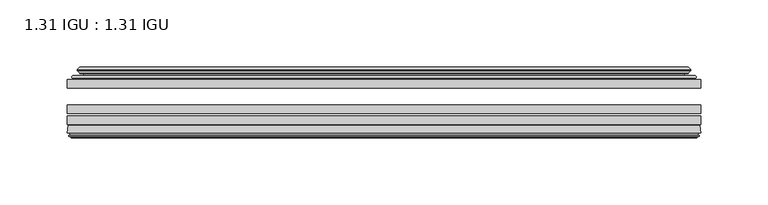
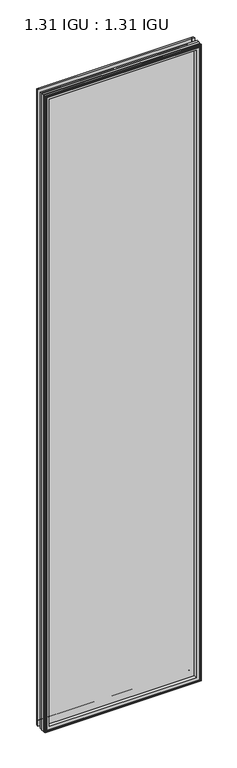
"""IFC4 building model written with IfcOpenShell, lengths in millimetres: plate geometry, 1.31 IGU : 1.31 IGU."""

from ifc_helpers import new_model, si_unit, frame, origin, place, context, project, spatial, polyline, ellipse_curve, outline, extrude, source, transform, mapped, element, save
from ifc_brep_helpers import plane_surface, cylinder_surface, revolved_surface, advanced_brep


def plate_1_31_igu_1_31_igu_9a12aca0(model_context):
    return source(origin(), model_context, "Body", "SolidModel", [
        extrude(outline(polyline([(235.9413865, -51.7723437), (235.9413865, -58.1223438), (-236.0083333, -58.1223438), (-236.0083333, -51.7723437), (235.9413865, -51.7723437)])), frame((0.0, 0.0, -14.2875), z_axis=(0.0, 0.0, 1.0), x_axis=(1.0, 0.0, 0.0)), (0.0, 0.0, 1.0), 2025.65),
        extrude(outline(polyline([(-236.0083333, -85.4273438), (-236.0083333, -79.0773437), (235.9413865, -79.0773437), (235.9413865, -85.4273438), (-236.0083333, -85.4273438)])), frame((0.0, 0.0, -14.2875), z_axis=(0.0, 0.0, 1.0), x_axis=(1.0, 0.0, 0.0)), (0.0, 0.0, 1.0), 2025.65),
        extrude(outline(polyline([(-236.0083333, -77.1723438), (-236.0083333, -70.8223438), (235.9413865, -70.8223438), (235.9413865, -77.1723438), (-236.0083333, -77.1723438)])), frame((0.0, 0.0, -14.2875), z_axis=(0.0, 0.0, 1.0), x_axis=(1.0, 0.0, 0.0)), (0.0, 0.0, 1.0), 2025.65),
        advanced_brep(
        [(-236.0210333, -91.7773437, 2011.3752), (-235.3262495, -86.1187838, 2010.6804162), (-235.3262495, -86.1187838, -13.6054162), (-236.0210333, -91.7773437, -14.3002), (-233.6334333, -93.768408, 2008.9876), (-234.0906333, -91.7773437, 2009.4448), (-234.0906333, -91.7773437, -12.3698), (-233.6334333, -93.768408, -11.9126), (-234.6347952, -93.5000939, 2009.9889619), (-234.6347952, -93.5000939, -12.9139619), (-234.8780333, -94.407871, 2010.2322), (-234.8780333, -94.407871, -13.1572), (-232.8460333, -94.9523437, 2008.2002), (-232.8460333, -94.9523437, -11.1252), (-230.8140333, -94.407871, 2006.1682), (-230.8140333, -94.407871, -9.0932), (-231.0572715, -93.5000939, 2006.4114381), (-231.0572715, -93.5000939, -9.3364381), (-232.0586333, -93.768408, 2007.4128), (-232.0586333, -93.768408, -10.3378), (-231.6014333, -91.7773437, 2006.9556), (-231.6014333, -91.7773437, -9.8806), (-217.5318119, -85.4273437, 1992.8859786), (-221.7208333, -91.7773437, 1997.075), (-221.7208333, -91.7773437, 0.0), (-217.5318119, -85.4273437, 4.1890214), (-234.5447187, -85.4273437, 2009.8988854), (-234.5447187, -85.4273437, -12.8238854), (235.3262495, -86.1187838, -13.6054162), (236.0210333, -91.7773437, -14.3002), (234.0906333, -91.7773437, -12.3698), (233.6334333, -93.768408, -11.9126), (234.6347952, -93.5000939, -12.9139619), (234.8780333, -94.407871, -13.1572), (232.8460333, -94.9523437, -11.1252), (230.8140333, -94.407871, -9.0932), (231.0572715, -93.5000939, -9.3364381), (232.0586333, -93.768408, -10.3378), (231.6014333, -91.7773437, -9.8806), (221.7208333, -91.7773437, 0.0), (217.5318119, -85.4273437, 4.1890214), (234.5447187, -85.4273437, -12.8238854), (235.3262495, -86.1187838, 2010.6804162), (236.0210333, -91.7773437, 2011.3752), (234.0906333, -91.7773437, 2009.4448), (233.6334333, -93.768408, 2008.9876), (234.6347952, -93.5000939, 2009.9889619), (234.8780333, -94.407871, 2010.2322), (232.8460333, -94.9523437, 2008.2002), (230.8140333, -94.407871, 2006.1682), (231.0572715, -93.5000939, 2006.4114381), (232.0586333, -93.768408, 2007.4128), (231.6014333, -91.7773437, 2006.9556), (221.7208333, -91.7773437, 1997.075), (217.5318119, -85.4273437, 1992.8859786), (234.5447187, -85.4273437, 2009.8988854)],
        [
            (0, 1),
            (1, 2),
            (2, 3),
            (3, 0),
            (4, 5),
            (5, 6),
            (6, 7),
            (7, 4),
            (8, 4),
            (7, 9),
            (9, 8),
            (10, 8),
            (9, 11),
            (11, 10),
            (12, 10),
            (11, 13),
            (13, 12),
            (14, 12),
            (13, 15),
            (15, 14),
            (16, 14),
            (15, 17),
            (17, 16),
            (18, 16),
            (17, 19),
            (19, 18),
            (20, 18),
            (19, 21),
            (21, 20),
            (22, 23, ellipse_curve(frame((-214.7369394, -91.8278132, 1990.091106), z_axis=(0.7071067811865475, 0.0, 0.7071067811865475), x_axis=(0.7071067811865474, 0.0, -0.7071067811865476)), 9.8769754, 6.9840763)),
            (23, 24),
            (24, 25, ellipse_curve(frame((-214.7369394, -91.8278132, 6.983894), z_axis=(0.7071067811865475, 0.0, -0.7071067811865475), x_axis=(-0.7071067811865474, 0.0, -0.7071067811865476)), 9.8769754, 6.9840763)),
            (25, 22),
            (1, 26, ellipse_curve(frame((-234.5447187, -86.2147437, 2009.8988854), z_axis=(-0.7071067811865475, 0.0, -0.7071067811865475), x_axis=(-0.7071067811865474, 0.0, 0.7071067811865476)), 1.1135518, 0.7874)),
            (26, 27),
            (27, 2, ellipse_curve(frame((-234.5447187, -86.2147437, -12.8238854), z_axis=(-0.7071067811865475, 0.0, 0.7071067811865475), x_axis=(0.7071067811865474, 0.0, 0.7071067811865476)), 1.1135518, 0.7874)),
            (2, 28),
            (28, 29),
            (29, 3),
            (6, 30),
            (30, 31),
            (31, 7),
            (31, 32),
            (32, 9),
            (32, 33),
            (33, 11),
            (33, 34),
            (34, 13),
            (34, 35),
            (35, 15),
            (35, 36),
            (36, 17),
            (36, 37),
            (37, 19),
            (37, 38),
            (38, 21),
            (24, 39),
            (39, 40, ellipse_curve(frame((214.7369394, -91.8278132, 6.983894), z_axis=(0.7071067811865475, 0.0, 0.7071067811865475), x_axis=(0.7071067811865476, 0.0, -0.7071067811865474)), 9.8769754, 6.9840763)),
            (40, 25),
            (27, 41),
            (41, 28, ellipse_curve(frame((234.5447187, -86.2147437, -12.8238854), z_axis=(-0.7071067811865475, 0.0, -0.7071067811865475), x_axis=(-0.7071067811865476, 0.0, 0.7071067811865474)), 1.1135518, 0.7874)),
            (28, 42),
            (42, 43),
            (43, 29),
            (30, 44),
            (44, 45),
            (45, 31),
            (45, 46),
            (46, 32),
            (46, 47),
            (47, 33),
            (47, 48),
            (48, 34),
            (48, 49),
            (49, 35),
            (49, 50),
            (50, 36),
            (50, 51),
            (51, 37),
            (51, 52),
            (52, 38),
            (39, 53),
            (53, 54, ellipse_curve(frame((214.7369394, -91.8278132, 1990.091106), z_axis=(-0.7071067811865475, 0.0, 0.7071067811865475), x_axis=(0.7071067811865474, 0.0, 0.7071067811865476)), 9.8769754, 6.9840763)),
            (54, 40),
            (41, 55),
            (55, 42, ellipse_curve(frame((234.5447187, -86.2147437, 2009.8988854), z_axis=(0.7071067811865475, 0.0, -0.7071067811865475), x_axis=(-0.7071067811865474, 0.0, -0.7071067811865476)), 1.1135518, 0.7874)),
            (42, 1),
            (0, 43),
            (5, 44),
            (4, 45),
            (8, 46),
            (10, 47),
            (12, 48),
            (14, 49),
            (16, 50),
            (18, 51),
            (20, 52),
            (23, 53),
            (22, 54),
            (26, 55),
        ],
        [
            plane_surface(frame((-235.3262495, -86.1187838, 2010.6804162), z_axis=(-0.9925461516413241, 0.12186934340513102, 0.0), x_axis=(0.0, 0.0, -1.0))),
            plane_surface(frame((-234.0906333, -91.7773437, 2009.4448), z_axis=(-0.9746347637895992, -0.22380142361654515, 0.0), x_axis=(0.0, 0.0, -1.0))),
            plane_surface(frame((-233.6334333, -93.768408, 2008.9876), z_axis=(0.2588190451026678, 0.9659258262890289, 0.0), x_axis=(0.0, 0.0, -1.0))),
            plane_surface(frame((-234.6347952, -93.5000939, 2009.9889619), z_axis=(-0.9659258262890449, 0.2588190451026082, 0.0), x_axis=(0.0, 0.0, -1.0))),
            plane_surface(frame((-234.8780333, -94.407871, 2010.2322), z_axis=(-0.25881904510250453, -0.9659258262890728, 0.0), x_axis=(0.0, 0.0, -1.0))),
            plane_surface(frame((-232.8460333, -94.9523437, 2008.2002), z_axis=(0.25881904510247905, -0.9659258262890795, 0.0), x_axis=(0.0, 0.0, -1.0))),
            plane_surface(frame((-230.8140333, -94.407871, 2006.1682), z_axis=(0.9659258262890272, 0.2588190451026741, 0.0), x_axis=(0.0, 0.0, -1.0))),
            plane_surface(frame((-231.0572715, -93.5000939, 2006.4114381), z_axis=(-0.2588190451023418, 0.9659258262891163, 0.0), x_axis=(0.0, 0.0, -1.0))),
            plane_surface(frame((-232.0586333, -93.768408, 2007.4128), z_axis=(0.9746347637895937, -0.22380142361656946, 0.0), x_axis=(0.0, 0.0, -1.0))),
            revolved_surface(polyline([(-221.7210157, -91.8278132, -0.00018228295266453642), (-221.7210157, -91.8278132, 1997.0751822829527)]), (-214.7369394, -91.8278132, 2028.825), (0.0, 0.0, -1.0)),
            cylinder_surface(frame((-234.5447187, -86.2147437, 2028.825), z_axis=(0.0, 0.0, 1.0), x_axis=(-1.0, 0.0, 0.0)), 0.7874),
            plane_surface(frame((-235.3262495, -86.1187838, -13.6054162), z_axis=(0.0, 0.12186934340512784, -0.9925461516413245), x_axis=(1.0, 0.0, 0.0))),
            plane_surface(frame((-234.0906333, -91.7773437, -12.3698), z_axis=(0.0, -0.22380142361654828, -0.9746347637895986), x_axis=(1.0, 0.0, 0.0))),
            plane_surface(frame((-233.6334333, -93.768408, -11.9126), z_axis=(0.0, 0.9659258262890298, 0.25881904510266474), x_axis=(1.0, 0.0, 0.0))),
            plane_surface(frame((-234.6347952, -93.5000939, -12.9139619), z_axis=(0.0, 0.2588190451026051, -0.9659258262890457), x_axis=(1.0, 0.0, 0.0))),
            plane_surface(frame((-234.8780333, -94.407871, -13.1572), z_axis=(0.0, -0.9659258262890735, -0.2588190451025014), x_axis=(1.0, 0.0, 0.0))),
            plane_surface(frame((-232.8460333, -94.9523437, -11.1252), z_axis=(0.0, -0.9659258262890787, 0.25881904510248216), x_axis=(1.0, 0.0, 0.0))),
            plane_surface(frame((-230.8140333, -94.407871, -9.0932), z_axis=(0.0, 0.2588190451026772, 0.9659258262890265), x_axis=(1.0, 0.0, 0.0))),
            plane_surface(frame((-231.0572715, -93.5000939, -9.3364381), z_axis=(0.0, 0.9659258262891155, -0.25881904510234494), x_axis=(1.0, 0.0, 0.0))),
            plane_surface(frame((-232.0586333, -93.768408, -10.3378), z_axis=(0.0, -0.22380142361656633, 0.9746347637895943), x_axis=(1.0, 0.0, 0.0))),
            revolved_surface(polyline([(221.7210156829527, -91.8278132, -0.00018229999999963553), (-221.72101568295273, -91.8278132, -0.00018229999999963553)]), (-253.4708333, -91.8278132, 6.983894), (1.0, 0.0, 0.0)),
            cylinder_surface(frame((-253.4708333, -86.2147437, -12.8238854), z_axis=(-1.0, 0.0, 0.0), x_axis=(0.0, 0.0, -1.0)), 0.7874),
            plane_surface(frame((235.3262495, -86.1187838, -13.6054162), z_axis=(0.992546151641325, 0.12186934340512466, 0.0), x_axis=(0.0, 0.0, 1.0))),
            plane_surface(frame((234.0906333, -91.7773437, -12.3698), z_axis=(0.9746347637895978, -0.2238014236165514, 0.0), x_axis=(0.0, 0.0, 1.0))),
            plane_surface(frame((233.6334333, -93.768408, -11.9126), z_axis=(-0.2588190451026616, 0.9659258262890306, 0.0), x_axis=(0.0, 0.0, 1.0))),
            plane_surface(frame((234.6347952, -93.5000939, -12.9139619), z_axis=(0.9659258262890466, 0.25881904510260206, 0.0), x_axis=(0.0, 0.0, 1.0))),
            plane_surface(frame((234.8780333, -94.407871, -13.1572), z_axis=(0.2588190451024983, -0.9659258262890743, 0.0), x_axis=(0.0, 0.0, 1.0))),
            plane_surface(frame((232.8460333, -94.9523437, -11.1252), z_axis=(-0.25881904510248527, -0.9659258262890779, 0.0), x_axis=(0.0, 0.0, 1.0))),
            plane_surface(frame((230.8140333, -94.407871, -9.0932), z_axis=(-0.9659258262890257, 0.25881904510268033, 0.0), x_axis=(0.0, 0.0, 1.0))),
            plane_surface(frame((231.0572715, -93.5000939, -9.3364381), z_axis=(0.25881904510234804, 0.9659258262891147, 0.0), x_axis=(0.0, 0.0, 1.0))),
            plane_surface(frame((232.0586333, -93.768408, -10.3378), z_axis=(-0.974634763789595, -0.2238014236165632, 0.0), x_axis=(0.0, 0.0, 1.0))),
            revolved_surface(polyline([(221.7210157, -91.8278132, 1997.0751822829527), (221.7210157, -91.8278132, -0.0001822829527107217)]), (214.7369394, -91.8278132, -31.75), (0.0, 0.0, 1.0)),
            cylinder_surface(frame((234.5447187, -86.2147437, -31.75), z_axis=(0.0, 0.0, -1.0), x_axis=(1.0, 0.0, 0.0)), 0.7874),
            plane_surface(frame((235.3262495, -86.1187838, 2010.6804162), z_axis=(0.0, 0.12186934340512784, 0.9925461516413245), x_axis=(-1.0, 0.0, 0.0))),
            plane_surface(frame((236.0210333, -91.7773437, 2011.3752), z_axis=(0.0, -1.0, 0.0), x_axis=(-1.0, 0.0, 0.0))),
            plane_surface(frame((234.0906333, -91.7773437, 2009.4448), z_axis=(0.0, -0.22380142361654826, 0.9746347637895985), x_axis=(-1.0, 0.0, 0.0))),
            plane_surface(frame((233.6334333, -93.768408, 2008.9876), z_axis=(0.0, 0.9659258262890298, -0.25881904510266474), x_axis=(-1.0, 0.0, 0.0))),
            plane_surface(frame((234.6347952, -93.5000939, 2009.9889619), z_axis=(0.0, 0.25881904510260517, 0.9659258262890458), x_axis=(-1.0, 0.0, 0.0))),
            plane_surface(frame((234.8780333, -94.407871, 2010.2322), z_axis=(0.0, -0.9659258262890735, 0.2588190451025014), x_axis=(-1.0, 0.0, 0.0))),
            plane_surface(frame((232.8460333, -94.9523437, 2008.2002), z_axis=(0.0, -0.9659258262890786, -0.25881904510248216), x_axis=(-1.0, 0.0, 0.0))),
            plane_surface(frame((230.8140333, -94.407871, 2006.1682), z_axis=(0.0, 0.2588190451026772, -0.9659258262890265), x_axis=(-1.0, 0.0, 0.0))),
            plane_surface(frame((231.0572715, -93.5000939, 2006.4114381), z_axis=(0.0, 0.9659258262891155, 0.25881904510234494), x_axis=(-1.0, 0.0, 0.0))),
            plane_surface(frame((232.0586333, -93.768408, 2007.4128), z_axis=(0.0, -0.22380142361656633, -0.9746347637895943), x_axis=(-1.0, 0.0, 0.0))),
            plane_surface(frame((231.6014333, -91.7773437, 2006.9556), z_axis=(0.0, -1.0, 0.0), x_axis=(-1.0, 0.0, 0.0))),
            revolved_surface(polyline([(-221.7210156829527, -91.8278132, 1997.0751823), (221.72101568295273, -91.8278132, 1997.0751823)]), (253.4708333, -91.8278132, 1990.091106), (-1.0, 0.0, 0.0)),
            plane_surface(frame((217.5318119, -85.4273437, 1992.8859786), z_axis=(0.0, 1.0, 0.0), x_axis=(-1.0, 0.0, 0.0))),
            cylinder_surface(frame((253.4708333, -86.2147437, 2009.8988854), z_axis=(1.0, 0.0, 0.0), x_axis=(0.0, 0.0, 1.0)), 0.7874),
        ],
        [
            (0, [[1, 2, 3, 4]]),
            (1, [[5, 6, 7, 8]]),
            (2, [[9, -8, 10, 11]]),
            (3, [[12, -11, 13, 14]]),
            (4, [[15, -14, 16, 17]]),
            (5, [[18, -17, 19, 20]]),
            (6, [[21, -20, 22, 23]]),
            (7, [[24, -23, 25, 26]]),
            (8, [[27, -26, 28, 29]]),
            (9, [[30, 31, 32, 33]]),
            (10, [[34, 35, 36, -2]]),
            (11, [[-3, 37, 38, 39]]),
            (12, [[-7, 40, 41, 42]]),
            (13, [[-10, -42, 43, 44]]),
            (14, [[-13, -44, 45, 46]]),
            (15, [[-16, -46, 47, 48]]),
            (16, [[-19, -48, 49, 50]]),
            (17, [[-22, -50, 51, 52]]),
            (18, [[-25, -52, 53, 54]]),
            (19, [[-28, -54, 55, 56]]),
            (20, [[-32, 57, 58, 59]]),
            (21, [[-36, 60, 61, -37]]),
            (22, [[-38, 62, 63, 64]]),
            (23, [[-41, 65, 66, 67]]),
            (24, [[-43, -67, 68, 69]]),
            (25, [[-45, -69, 70, 71]]),
            (26, [[-47, -71, 72, 73]]),
            (27, [[-49, -73, 74, 75]]),
            (28, [[-51, -75, 76, 77]]),
            (29, [[-53, -77, 78, 79]]),
            (30, [[-55, -79, 80, 81]]),
            (31, [[-58, 82, 83, 84]]),
            (32, [[-61, 85, 86, -62]]),
            (33, [[-63, 87, -1, 88]]),
            (34, [[-39, -64, -88, -4], [89, -65, -40, -6]]),
            (35, [[-66, -89, -5, 90]]),
            (36, [[-68, -90, -9, 91]]),
            (37, [[-70, -91, -12, 92]]),
            (38, [[-72, -92, -15, 93]]),
            (39, [[-74, -93, -18, 94]]),
            (40, [[-76, -94, -21, 95]]),
            (41, [[-78, -95, -24, 96]]),
            (42, [[-80, -96, -27, 97]]),
            (43, [[-56, -81, -97, -29], [98, -82, -57, -31]]),
            (44, [[-83, -98, -30, 99]]),
            (45, [[100, -85, -60, -35], [-59, -84, -99, -33]]),
            (46, [[-86, -100, -34, -87]]),
        ],
    ),
        advanced_brep(
        [(-217.6731235, -50.6812421, 1993.0272902), (-218.1149337, -51.7723437, 1993.4691004), (-218.1149337, -51.7723437, 3.6058996), (-217.6731235, -50.6812421, 4.0477098), (-221.7208333, -42.9585437, 1997.075), (-221.7208333, -42.9585437, 0.0), (-226.9067442, -44.1396428, 2002.2609109), (-226.9067442, -44.1396428, -5.1859109), (-226.5771689, -43.3125262, 2001.9313356), (-226.5771689, -43.3125262, -4.8563356), (-226.5771689, -42.4982749, 2001.9313356), (-226.5771689, -42.4982749, -4.8563356), (-228.3934444, -44.4569108, 2003.7476111), (-228.3934444, -44.4569108, -6.6726111), (-228.3934444, -45.1700367, 2003.7476111), (-228.3934444, -45.1700367, -6.6726111), (-226.5771689, -47.1188911, 2001.9313356), (-226.5771689, -47.1188911, -4.8563356), (-226.5771689, -46.3144213, 2001.9313356), (-226.5771689, -46.3144213, -4.8563356), (-226.8990834, -45.5065305, 2002.2532501), (-226.8990834, -45.5065305, -5.1782501), (-224.3752712, -45.3481387, 1999.7294379), (-224.3752712, -45.3481387, -2.6544379), (-223.349455, -46.0358481, 1998.7036217), (-223.349455, -46.0358481, -1.6286217), (-223.4678622, -47.4303169, 1998.8220288), (-223.4678622, -47.4303169, -1.7470288), (-224.0696081, -48.9275437, 1999.4237748), (-224.0696081, -48.9275437, -2.3487748), (-231.9953887, -50.8359667, 2007.3495553), (-231.5097578, -48.9275437, 2006.8639245), (-231.5097578, -48.9275437, -9.7889245), (-231.9953887, -50.8359667, -10.2745553), (-230.2746488, -51.7723437, 2005.6288155), (-230.2746488, -51.7723437, -8.5538155), (218.1149337, -51.7723437, 3.6058996), (217.6731235, -50.6812421, 4.0477098), (221.7208333, -42.9585437, 0.0), (226.9067442, -44.1396428, -5.1859109), (226.5771689, -43.3125262, -4.8563356), (226.5771689, -42.4982749, -4.8563356), (228.3934444, -44.4569108, -6.6726111), (228.3934444, -45.1700367, -6.6726111), (226.5771689, -47.1188911, -4.8563356), (226.5771689, -46.3144213, -4.8563356), (226.8990834, -45.5065305, -5.1782501), (224.3752712, -45.3481387, -2.6544379), (223.349455, -46.0358481, -1.6286217), (223.4678622, -47.4303169, -1.7470288), (224.0696081, -48.9275437, -2.3487748), (231.5097578, -48.9275437, -9.7889245), (231.9953887, -50.8359667, -10.2745553), (230.2746488, -51.7723437, -8.5538155), (218.1149337, -51.7723437, 1993.4691004), (217.6731235, -50.6812421, 1993.0272902), (221.7208333, -42.9585437, 1997.075), (226.9067442, -44.1396428, 2002.2609109), (226.5771689, -43.3125262, 2001.9313356), (226.5771689, -42.4982749, 2001.9313356), (228.3934444, -44.4569108, 2003.7476111), (228.3934444, -45.1700367, 2003.7476111), (226.5771689, -47.1188911, 2001.9313356), (226.5771689, -46.3144213, 2001.9313356), (226.8990834, -45.5065305, 2002.2532501), (224.3752712, -45.3481387, 1999.7294379), (223.349455, -46.0358481, 1998.7036217), (223.4678622, -47.4303169, 1998.8220288), (224.0696081, -48.9275437, 1999.4237748), (231.5097578, -48.9275437, 2006.8639245), (231.9953887, -50.8359667, 2007.3495553), (230.2746488, -51.7723437, 2005.6288155)],
        [
            (0, 1, ellipse_curve(frame((-218.1149337, -51.1373437, 1993.4691004), z_axis=(-0.7071067811865475, 0.0, -0.7071067811865475), x_axis=(-0.7071067811865474, 0.0, 0.7071067811865476)), 0.8980256, 0.635)),
            (1, 2),
            (2, 3, ellipse_curve(frame((-218.1149337, -51.1373437, 3.6058996), z_axis=(-0.7071067811865475, 0.0, 0.7071067811865475), x_axis=(0.7071067811865474, 0.0, 0.7071067811865476)), 0.8980256, 0.635)),
            (3, 0),
            (4, 0, ellipse_curve(frame((-207.9880387, -40.6828682, 1983.3422054), z_axis=(0.7071067811865475, 0.0, 0.7071067811865475), x_axis=(0.7071067811865474, 0.0, -0.7071067811865476)), 19.6859517, 13.9200699)),
            (3, 5, ellipse_curve(frame((-207.9880387, -40.6828682, 13.7327946), z_axis=(0.7071067811865475, 0.0, -0.7071067811865475), x_axis=(-0.7071067811865474, 0.0, -0.7071067811865476)), 19.6859517, 13.9200699)),
            (5, 4),
            (6, 4),
            (5, 7),
            (7, 6),
            (8, 6),
            (7, 9),
            (9, 8),
            (10, 8),
            (9, 11),
            (11, 10),
            (12, 10),
            (11, 13),
            (13, 12),
            (14, 12, ellipse_curve(frame((-228.0316062, -44.8134737, 2003.3857729), z_axis=(-0.7071067811865475, 0.0, -0.7071067811865475), x_axis=(-0.7071067811865474, 0.0, 0.7071067811865476)), 0.7184205, 0.508)),
            (13, 15, ellipse_curve(frame((-228.0316062, -44.8134737, -6.3107729), z_axis=(-0.7071067811865475, 0.0, 0.7071067811865475), x_axis=(0.7071067811865474, 0.0, 0.7071067811865476)), 0.7184205, 0.508)),
            (15, 14),
            (16, 14),
            (15, 17),
            (17, 16),
            (18, 16),
            (17, 19),
            (19, 18),
            (20, 18),
            (19, 21),
            (21, 20),
            (22, 20),
            (21, 23),
            (23, 22),
            (24, 22, ellipse_curve(frame((-224.3116333, -46.3621437, 1999.6658), z_axis=(0.7071067811865475, 0.0, 0.7071067811865475), x_axis=(0.7071067811865474, 0.0, -0.7071067811865476)), 1.436841, 1.016)),
            (23, 25, ellipse_curve(frame((-224.3116333, -46.3621437, -2.5908), z_axis=(0.7071067811865475, 0.0, -0.7071067811865475), x_axis=(-0.7071067811865474, 0.0, -0.7071067811865476)), 1.436841, 1.016)),
            (25, 24),
            (26, 24, ellipse_curve(frame((-225.6832333, -46.5399437, 2001.0374), z_axis=(0.7071067811865475, 0.0, 0.7071067811865475), x_axis=(0.7071067811865474, 0.0, -0.7071067811865476)), 3.3765763, 2.3876)),
            (25, 27, ellipse_curve(frame((-225.6832333, -46.5399437, -3.9624), z_axis=(0.7071067811865475, 0.0, -0.7071067811865475), x_axis=(-0.7071067811865474, 0.0, -0.7071067811865476)), 3.3765763, 2.3876)),
            (27, 26),
            (28, 26),
            (27, 29),
            (29, 28),
            (30, 31, ellipse_curve(frame((-231.5097578, -49.9435437, 2006.8639245), z_axis=(-0.7071067811865475, 0.0, -0.7071067811865475), x_axis=(-0.7071067811865474, 0.0, 0.7071067811865476)), 1.436841, 1.016)),
            (31, 32),
            (32, 33, ellipse_curve(frame((-231.5097578, -49.9435437, -9.7889245), z_axis=(-0.7071067811865475, 0.0, 0.7071067811865475), x_axis=(0.7071067811865474, 0.0, 0.7071067811865476)), 1.436841, 1.016)),
            (33, 30),
            (34, 30),
            (33, 35),
            (35, 34),
            (2, 36),
            (36, 37, ellipse_curve(frame((218.1149337, -51.1373437, 3.6058996), z_axis=(-0.7071067811865475, 0.0, -0.7071067811865475), x_axis=(-0.7071067811865476, 0.0, 0.7071067811865474)), 0.8980256, 0.635)),
            (37, 3),
            (37, 38, ellipse_curve(frame((207.9880387, -40.6828682, 13.7327946), z_axis=(0.7071067811865475, 0.0, 0.7071067811865475), x_axis=(0.7071067811865476, 0.0, -0.7071067811865474)), 19.6859517, 13.9200699)),
            (38, 5),
            (38, 39),
            (39, 7),
            (39, 40),
            (40, 9),
            (40, 41),
            (41, 11),
            (41, 42),
            (42, 13),
            (42, 43, ellipse_curve(frame((228.0316062, -44.8134737, -6.3107729), z_axis=(-0.7071067811865475, 0.0, -0.7071067811865475), x_axis=(-0.7071067811865476, 0.0, 0.7071067811865474)), 0.7184205, 0.508)),
            (43, 15),
            (43, 44),
            (44, 17),
            (44, 45),
            (45, 19),
            (45, 46),
            (46, 21),
            (46, 47),
            (47, 23),
            (47, 48, ellipse_curve(frame((224.3116333, -46.3621437, -2.5908), z_axis=(0.7071067811865475, 0.0, 0.7071067811865475), x_axis=(0.7071067811865476, 0.0, -0.7071067811865474)), 1.436841, 1.016)),
            (48, 25),
            (48, 49, ellipse_curve(frame((225.6832333, -46.5399437, -3.9624), z_axis=(0.7071067811865475, 0.0, 0.7071067811865475), x_axis=(0.7071067811865476, 0.0, -0.7071067811865474)), 3.3765763, 2.3876)),
            (49, 27),
            (49, 50),
            (50, 29),
            (32, 51),
            (51, 52, ellipse_curve(frame((231.5097578, -49.9435437, -9.7889245), z_axis=(-0.7071067811865475, 0.0, -0.7071067811865475), x_axis=(-0.7071067811865476, 0.0, 0.7071067811865474)), 1.436841, 1.016)),
            (52, 33),
            (52, 53),
            (53, 35),
            (36, 54),
            (54, 55, ellipse_curve(frame((218.1149337, -51.1373437, 1993.4691004), z_axis=(0.7071067811865475, 0.0, -0.7071067811865475), x_axis=(-0.7071067811865474, 0.0, -0.7071067811865476)), 0.8980256, 0.635)),
            (55, 37),
            (55, 56, ellipse_curve(frame((207.9880387, -40.6828682, 1983.3422054), z_axis=(-0.7071067811865475, 0.0, 0.7071067811865475), x_axis=(0.7071067811865474, 0.0, 0.7071067811865476)), 19.6859517, 13.9200699)),
            (56, 38),
            (56, 57),
            (57, 39),
            (57, 58),
            (58, 40),
            (58, 59),
            (59, 41),
            (59, 60),
            (60, 42),
            (60, 61, ellipse_curve(frame((228.0316062, -44.8134737, 2003.3857729), z_axis=(0.7071067811865475, 0.0, -0.7071067811865475), x_axis=(-0.7071067811865474, 0.0, -0.7071067811865476)), 0.7184205, 0.508)),
            (61, 43),
            (61, 62),
            (62, 44),
            (62, 63),
            (63, 45),
            (63, 64),
            (64, 46),
            (64, 65),
            (65, 47),
            (65, 66, ellipse_curve(frame((224.3116333, -46.3621437, 1999.6658), z_axis=(-0.7071067811865475, 0.0, 0.7071067811865475), x_axis=(0.7071067811865474, 0.0, 0.7071067811865476)), 1.436841, 1.016)),
            (66, 48),
            (66, 67, ellipse_curve(frame((225.6832333, -46.5399437, 2001.0374), z_axis=(-0.7071067811865475, 0.0, 0.7071067811865475), x_axis=(0.7071067811865474, 0.0, 0.7071067811865476)), 3.3765763, 2.3876)),
            (67, 49),
            (67, 68),
            (68, 50),
            (51, 69),
            (69, 70, ellipse_curve(frame((231.5097578, -49.9435437, 2006.8639245), z_axis=(0.7071067811865475, 0.0, -0.7071067811865475), x_axis=(-0.7071067811865474, 0.0, -0.7071067811865476)), 1.436841, 1.016)),
            (70, 52),
            (70, 71),
            (71, 53),
            (54, 1),
            (0, 55),
            (4, 56),
            (6, 57),
            (8, 58),
            (10, 59),
            (12, 60),
            (14, 61),
            (16, 62),
            (18, 63),
            (20, 64),
            (22, 65),
            (24, 66),
            (26, 67),
            (28, 68),
            (31, 69),
            (30, 70),
            (34, 71),
        ],
        [
            cylinder_surface(frame((-218.1149337, -51.1373437, 2028.825), z_axis=(0.0, 0.0, 1.0), x_axis=(-1.0, 0.0, 0.0)), 0.635),
            revolved_surface(polyline([(-221.9081086, -40.6828682, -0.18727534118079348), (-221.9081086, -40.6828682, 1997.2622753411808)]), (-207.9880387, -40.6828682, 2028.825), (0.0, 0.0, -1.0)),
            plane_surface(frame((-221.7208333, -42.9585437, 1997.075), z_axis=(-0.22206498442778808, 0.9750318675259215, 0.0), x_axis=(0.0, 0.0, -1.0))),
            plane_surface(frame((-226.9067442, -44.1396428, 2002.2609109), z_axis=(0.9289682685629942, -0.3701593656833133, 0.0), x_axis=(0.0, 0.0, -1.0))),
            plane_surface(frame((-226.5771689, -43.3125262, 2001.9313356), z_axis=(1.0, 0.0, 0.0), x_axis=(0.0, 0.0, -1.0))),
            plane_surface(frame((-226.5771689, -42.4982749, 2001.9313356), z_axis=(-0.7332521292723948, 0.6799568478348454, 0.0), x_axis=(0.0, 0.0, -1.0))),
            cylinder_surface(frame((-228.0316062, -44.8134737, 2028.825), z_axis=(0.0, 0.0, 1.0), x_axis=(-1.0, 0.0, 0.0)), 0.508),
            plane_surface(frame((-228.3934444, -45.1700367, 2003.7476111), z_axis=(-0.7315522693036389, -0.6817853601220082, 0.0), x_axis=(0.0, 0.0, -1.0))),
            plane_surface(frame((-226.5771689, -47.1188911, 2001.9313356), z_axis=(1.0, 0.0, 0.0), x_axis=(0.0, 0.0, -1.0))),
            plane_surface(frame((-226.5771689, -46.3144213, 2001.9313356), z_axis=(0.9289682685631103, 0.37015936568302166, 0.0), x_axis=(0.0, 0.0, -1.0))),
            plane_surface(frame((-226.8990834, -45.5065305, 2002.2532501), z_axis=(0.06263570119321649, -0.9980364567169048, 0.0), x_axis=(0.0, 0.0, -1.0))),
            revolved_surface(polyline([(-225.3276333, -46.3621437, -3.6068000145867245), (-225.3276333, -46.3621437, 2000.6818000145868)]), (-224.3116333, -46.3621437, 2028.825), (0.0, 0.0, -1.0)),
            revolved_surface(polyline([(-228.0708333, -46.5399437, -6.3499999989237494), (-228.0708333, -46.5399437, 2003.4249999989238)]), (-225.6832333, -46.5399437, 2028.825), (0.0, 0.0, -1.0)),
            plane_surface(frame((-223.4678622, -47.4303169, 1998.8220288), z_axis=(-0.927865292542892, 0.3729155385530262, 0.0), x_axis=(0.0, 0.0, -1.0))),
            cylinder_surface(frame((-231.5097578, -49.9435437, 2028.825), z_axis=(0.0, 0.0, 1.0), x_axis=(-1.0, 0.0, 0.0)), 1.016),
            plane_surface(frame((-231.9953887, -50.8359667, 2007.3495553), z_axis=(-0.477983117370979, -0.8783690223979447, 0.0), x_axis=(0.0, 0.0, -1.0))),
            cylinder_surface(frame((-253.4708333, -51.1373437, 3.6058996), z_axis=(-1.0, 0.0, 0.0), x_axis=(0.0, 0.0, -1.0)), 0.635),
            revolved_surface(polyline([(221.90810864118086, -40.6828682, -0.1872752999999996), (-221.90810864118083, -40.6828682, -0.1872752999999996)]), (-253.4708333, -40.6828682, 13.7327946), (1.0, 0.0, 0.0)),
            plane_surface(frame((-221.7208333, -42.9585437, 0.0), z_axis=(0.0, 0.9750318675259209, -0.2220649844277912), x_axis=(1.0, 0.0, 0.0))),
            plane_surface(frame((-226.9067442, -44.1396428, -5.1859109), z_axis=(0.0, -0.3701593656833103, 0.9289682685629954), x_axis=(1.0, 0.0, 0.0))),
            plane_surface(frame((-226.5771689, -43.3125262, -4.8563356), z_axis=(0.0, 0.0, 1.0), x_axis=(1.0, 0.0, 0.0))),
            plane_surface(frame((-226.5771689, -42.4982749, -4.8563356), z_axis=(0.0, 0.6799568478348431, -0.733252129272397), x_axis=(1.0, 0.0, 0.0))),
            cylinder_surface(frame((-253.4708333, -44.8134737, -6.3107729), z_axis=(-1.0, 0.0, 0.0), x_axis=(0.0, 0.0, -1.0)), 0.508),
            plane_surface(frame((-228.3934444, -45.1700367, -6.6726111), z_axis=(0.0, -0.6817853601220105, -0.7315522693036367), x_axis=(1.0, 0.0, 0.0))),
            plane_surface(frame((-226.5771689, -47.1188911, -4.8563356), z_axis=(0.0, 0.0, 1.0), x_axis=(1.0, 0.0, 0.0))),
            plane_surface(frame((-226.5771689, -46.3144213, -4.8563356), z_axis=(0.0, 0.37015936568302465, 0.9289682685631091), x_axis=(1.0, 0.0, 0.0))),
            plane_surface(frame((-226.8990834, -45.5065305, -5.1782501), z_axis=(0.0, -0.9980364567169046, 0.06263570119321968), x_axis=(1.0, 0.0, 0.0))),
            revolved_surface(polyline([(225.32763331458685, -46.3621437, -3.6068000000000002), (-225.32763331458688, -46.3621437, -3.6068000000000002)]), (-253.4708333, -46.3621437, -2.5908), (1.0, 0.0, 0.0)),
            revolved_surface(polyline([(228.07083329892382, -46.5399437, -6.35), (-228.0708332989238, -46.5399437, -6.35)]), (-253.4708333, -46.5399437, -3.9624), (1.0, 0.0, 0.0)),
            plane_surface(frame((-223.4678622, -47.4303169, -1.7470288), z_axis=(0.0, 0.37291553855302323, -0.9278652925428932), x_axis=(1.0, 0.0, 0.0))),
            cylinder_surface(frame((-253.4708333, -49.9435437, -9.7889245), z_axis=(-1.0, 0.0, 0.0), x_axis=(0.0, 0.0, -1.0)), 1.016),
            plane_surface(frame((-231.9953887, -50.8359667, -10.2745553), z_axis=(0.0, -0.8783690223979462, -0.47798311737097615), x_axis=(1.0, 0.0, 0.0))),
            cylinder_surface(frame((218.1149337, -51.1373437, -31.75), z_axis=(0.0, 0.0, -1.0), x_axis=(1.0, 0.0, 0.0)), 0.635),
            revolved_surface(polyline([(221.9081086, -40.6828682, 1997.2622753411808), (221.9081086, -40.6828682, -0.1872753411808432)]), (207.9880387, -40.6828682, -31.75), (0.0, 0.0, 1.0)),
            plane_surface(frame((221.7208333, -42.9585437, 0.0), z_axis=(0.22206498442779435, 0.9750318675259202, 0.0), x_axis=(0.0, 0.0, 1.0))),
            plane_surface(frame((226.9067442, -44.1396428, -5.1859109), z_axis=(-0.9289682685629966, -0.3701593656833073, 0.0), x_axis=(0.0, 0.0, 1.0))),
            plane_surface(frame((226.5771689, -43.3125262, -4.8563356), z_axis=(-1.0, 0.0, 0.0), x_axis=(0.0, 0.0, 1.0))),
            plane_surface(frame((226.5771689, -42.4982749, -4.8563356), z_axis=(0.7332521292723992, 0.6799568478348408, 0.0), x_axis=(0.0, 0.0, 1.0))),
            cylinder_surface(frame((228.0316062, -44.8134737, -31.75), z_axis=(0.0, 0.0, -1.0), x_axis=(1.0, 0.0, 0.0)), 0.508),
            plane_surface(frame((228.3934444, -45.1700367, -6.6726111), z_axis=(0.7315522693036345, -0.6817853601220129, 0.0), x_axis=(0.0, 0.0, 1.0))),
            plane_surface(frame((226.5771689, -47.1188911, -4.8563356), z_axis=(-1.0, 0.0, 0.0), x_axis=(0.0, 0.0, 1.0))),
            plane_surface(frame((226.5771689, -46.3144213, -4.8563356), z_axis=(-0.928968268563108, 0.3701593656830277, 0.0), x_axis=(0.0, 0.0, 1.0))),
            plane_surface(frame((226.8990834, -45.5065305, -5.1782501), z_axis=(-0.06263570119322287, -0.9980364567169043, 0.0), x_axis=(0.0, 0.0, 1.0))),
            revolved_surface(polyline([(225.3276333, -46.3621437, 2000.6818000145868), (225.3276333, -46.3621437, -3.606800014586863)]), (224.3116333, -46.3621437, -31.75), (0.0, 0.0, 1.0)),
            revolved_surface(polyline([(228.0708333, -46.5399437, 2003.4249999989238), (228.0708333, -46.5399437, -6.349999998923781)]), (225.6832333, -46.5399437, -31.75), (0.0, 0.0, 1.0)),
            plane_surface(frame((223.4678622, -47.4303169, -1.7470288), z_axis=(0.9278652925428944, 0.37291553855302023, 0.0), x_axis=(0.0, 0.0, 1.0))),
            cylinder_surface(frame((231.5097578, -49.9435437, -31.75), z_axis=(0.0, 0.0, -1.0), x_axis=(1.0, 0.0, 0.0)), 1.016),
            plane_surface(frame((231.9953887, -50.8359667, -10.2745553), z_axis=(0.4779831173709733, -0.8783690223979478, 0.0), x_axis=(0.0, 0.0, 1.0))),
            cylinder_surface(frame((253.4708333, -51.1373437, 1993.4691004), z_axis=(1.0, 0.0, 0.0), x_axis=(0.0, 0.0, 1.0)), 0.635),
            revolved_surface(polyline([(-221.90810864118086, -40.6828682, 1997.2622753), (221.90810864118083, -40.6828682, 1997.2622753)]), (253.4708333, -40.6828682, 1983.3422054), (-1.0, 0.0, 0.0)),
            plane_surface(frame((221.7208333, -42.9585437, 1997.075), z_axis=(0.0, 0.9750318675259209, 0.2220649844277912), x_axis=(-1.0, 0.0, 0.0))),
            plane_surface(frame((226.9067442, -44.1396428, 2002.2609109), z_axis=(0.0, -0.3701593656833103, -0.9289682685629954), x_axis=(-1.0, 0.0, 0.0))),
            plane_surface(frame((226.5771689, -43.3125262, 2001.9313356), z_axis=(0.0, 0.0, -1.0), x_axis=(-1.0, 0.0, 0.0))),
            plane_surface(frame((226.5771689, -42.4982749, 2001.9313356), z_axis=(0.0, 0.6799568478348431, 0.733252129272397), x_axis=(-1.0, 0.0, 0.0))),
            cylinder_surface(frame((253.4708333, -44.8134737, 2003.3857729), z_axis=(1.0, 0.0, 0.0), x_axis=(0.0, 0.0, 1.0)), 0.508),
            plane_surface(frame((228.3934444, -45.1700367, 2003.7476111), z_axis=(0.0, -0.6817853601220105, 0.7315522693036367), x_axis=(-1.0, 0.0, 0.0))),
            plane_surface(frame((226.5771689, -47.1188911, 2001.9313356), z_axis=(0.0, 0.0, -1.0), x_axis=(-1.0, 0.0, 0.0))),
            plane_surface(frame((226.5771689, -46.3144213, 2001.9313356), z_axis=(0.0, 0.3701593656830247, -0.9289682685631092), x_axis=(-1.0, 0.0, 0.0))),
            plane_surface(frame((226.8990834, -45.5065305, 2002.2532501), z_axis=(0.0, -0.9980364567169046, -0.06263570119321968), x_axis=(-1.0, 0.0, 0.0))),
            revolved_surface(polyline([(-225.32763331458685, -46.3621437, 2000.6818), (225.32763331458688, -46.3621437, 2000.6818)]), (253.4708333, -46.3621437, 1999.6658), (-1.0, 0.0, 0.0)),
            revolved_surface(polyline([(-228.07083329892382, -46.5399437, 2003.425), (228.0708332989238, -46.5399437, 2003.425)]), (253.4708333, -46.5399437, 2001.0374), (-1.0, 0.0, 0.0)),
            plane_surface(frame((223.4678622, -47.4303169, 1998.8220288), z_axis=(0.0, 0.37291553855302323, 0.9278652925428932), x_axis=(-1.0, 0.0, 0.0))),
            plane_surface(frame((224.0696081, -48.9275437, 1999.4237748), z_axis=(0.0, 1.0, 0.0), x_axis=(-1.0, 0.0, 0.0))),
            cylinder_surface(frame((253.4708333, -49.9435437, 2006.8639245), z_axis=(1.0, 0.0, 0.0), x_axis=(0.0, 0.0, 1.0)), 1.016),
            plane_surface(frame((231.9953887, -50.8359667, 2007.3495553), z_axis=(0.0, -0.8783690223979462, 0.47798311737097615), x_axis=(-1.0, 0.0, 0.0))),
            plane_surface(frame((230.2746488, -51.7723437, 2005.6288155), z_axis=(0.0, -1.0, 0.0), x_axis=(-1.0, 0.0, 0.0))),
        ],
        [
            (0, [[1, 2, 3, 4]]),
            (1, [[5, -4, 6, 7]]),
            (2, [[8, -7, 9, 10]]),
            (3, [[11, -10, 12, 13]]),
            (4, [[14, -13, 15, 16]]),
            (5, [[17, -16, 18, 19]]),
            (6, [[20, -19, 21, 22]]),
            (7, [[23, -22, 24, 25]]),
            (8, [[26, -25, 27, 28]]),
            (9, [[29, -28, 30, 31]]),
            (10, [[32, -31, 33, 34]]),
            (11, [[35, -34, 36, 37]]),
            (12, [[38, -37, 39, 40]]),
            (13, [[41, -40, 42, 43]]),
            (14, [[44, 45, 46, 47]]),
            (15, [[48, -47, 49, 50]]),
            (16, [[-3, 51, 52, 53]]),
            (17, [[-6, -53, 54, 55]]),
            (18, [[-9, -55, 56, 57]]),
            (19, [[-12, -57, 58, 59]]),
            (20, [[-15, -59, 60, 61]]),
            (21, [[-18, -61, 62, 63]]),
            (22, [[-21, -63, 64, 65]]),
            (23, [[-24, -65, 66, 67]]),
            (24, [[-27, -67, 68, 69]]),
            (25, [[-30, -69, 70, 71]]),
            (26, [[-33, -71, 72, 73]]),
            (27, [[-36, -73, 74, 75]]),
            (28, [[-39, -75, 76, 77]]),
            (29, [[-42, -77, 78, 79]]),
            (30, [[-46, 80, 81, 82]]),
            (31, [[-49, -82, 83, 84]]),
            (32, [[-52, 85, 86, 87]]),
            (33, [[-54, -87, 88, 89]]),
            (34, [[-56, -89, 90, 91]]),
            (35, [[-58, -91, 92, 93]]),
            (36, [[-60, -93, 94, 95]]),
            (37, [[-62, -95, 96, 97]]),
            (38, [[-64, -97, 98, 99]]),
            (39, [[-66, -99, 100, 101]]),
            (40, [[-68, -101, 102, 103]]),
            (41, [[-70, -103, 104, 105]]),
            (42, [[-72, -105, 106, 107]]),
            (43, [[-74, -107, 108, 109]]),
            (44, [[-76, -109, 110, 111]]),
            (45, [[-78, -111, 112, 113]]),
            (46, [[-81, 114, 115, 116]]),
            (47, [[-83, -116, 117, 118]]),
            (48, [[-86, 119, -1, 120]]),
            (49, [[-88, -120, -5, 121]]),
            (50, [[-90, -121, -8, 122]]),
            (51, [[-92, -122, -11, 123]]),
            (52, [[-94, -123, -14, 124]]),
            (53, [[-96, -124, -17, 125]]),
            (54, [[-98, -125, -20, 126]]),
            (55, [[-100, -126, -23, 127]]),
            (56, [[-102, -127, -26, 128]]),
            (57, [[-104, -128, -29, 129]]),
            (58, [[-106, -129, -32, 130]]),
            (59, [[-108, -130, -35, 131]]),
            (60, [[-110, -131, -38, 132]]),
            (61, [[-112, -132, -41, 133]]),
            (62, [[134, -114, -80, -45], [-79, -113, -133, -43]]),
            (63, [[-115, -134, -44, 135]]),
            (64, [[-117, -135, -48, 136]]),
            (65, [[-84, -118, -136, -50], [-119, -85, -51, -2]]),
        ],
    ),
    ])


if __name__ == "__main__":
    model = new_model("IFC4")
    model_context = context("Model", 3, world=origin())
    ifc_project = project(units=[si_unit("LENGTHUNIT", "METRE", prefix="MILLI")], contexts=[model_context])
    site = spatial("IfcSite", under=ifc_project)
    building = spatial("IfcBuilding", under=site)
    placement = place(None, origin())
    plate_1_31_igu_1_31_igu_shape = plate_1_31_igu_1_31_igu_9a12aca0(model_context)
    element("IfcPlate", 1, ObjectType="1.31 IGU : 1.31 IGU", at=placement, inside=building, context=model_context, shape_type="MappedRepresentation", body=[
        mapped(plate_1_31_igu_1_31_igu_shape, transform((0.0, 0.0, 0.0), x_axis=(1.0, 0.0, 0.0), y_axis=(0.0, 1.0, 0.0), z_axis=(0.0, 0.0, 1.0))),
    ])
    save(model, "model.ifc")
